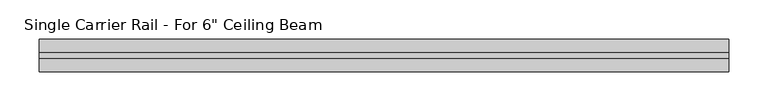
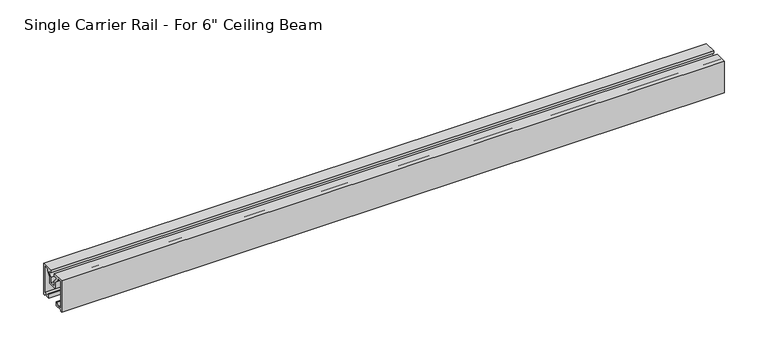
"""IFC4 building model written with IfcOpenShell, lengths in millimetres: proxy geometry."""

import ifcopenshell
import ifcopenshell.guid

model = None  # the IFC model being written
_history = None  # IfcOwnerHistory: only IFC2X3 demands one
_inside = {}  # id of a spatial element -> (the spatial element, [elements in it])
_under = {}  # id of a project, library or spatial element -> (it, [spatial elements below it])
_declared = {}  # id of a project -> (the project, [libraries it declares])
_typed = {}  # id of a type object -> (the type object, [elements of that type])
_made_of = {}  # id of a material, layer set ... -> (it, [elements and type objects made of it])


def new_model(schema):
    """Start an empty IFC model of exactly this schema.

    Asked for "IFC4X3", IfcOpenShell would pick the latest addendum, in which some entities
    have other attributes; the version numbers below select the first issue.
    IFC2X3 requires an IfcOwnerHistory on every rooted entity: one is made here for all.
    """
    global model, _history
    if schema == "IFC4X3":
        model = ifcopenshell.file(schema_version=(4, 3, 0, 0))
    else:
        model = ifcopenshell.file(schema=schema)
    _inside.clear()
    _under.clear()
    _declared.clear()
    _typed.clear()
    _made_of.clear()
    _history = None
    if model.schema == "IFC2X3":
        org = make("IfcOrganization", Name="unknown")
        user = make(
            "IfcPersonAndOrganization",
            ThePerson=make("IfcPerson", FamilyName="unknown"),
            TheOrganization=org,
        )
        app = make(
            "IfcApplication",
            ApplicationDeveloper=org,
            Version="unknown",
            ApplicationFullName="unknown",
            ApplicationIdentifier="unknown",
        )
        _history = make(
            "IfcOwnerHistory",
            OwningUser=user,
            OwningApplication=app,
            ChangeAction="ADDED",
            CreationDate=0,
        )
    return model


def make(cls, **values):
    """One entity of the class cls with the attributes given. An attribute that is None is left unset."""
    return model.create_entity(
        cls, **{name: value for name, value in values.items() if value is not None}
    )


def rooted(cls, **values):
    """An entity with a GlobalId (a new one), such as an element, a storey or a relation."""
    return make(cls, GlobalId=ifcopenshell.guid.new(), OwnerHistory=_history, **values)


def si_unit(unit_type, name, prefix=None):
    """IfcSIUnit, for example si_unit("LENGTHUNIT", "METRE", prefix="MILLI")."""
    return make("IfcSIUnit", UnitType=unit_type, Prefix=prefix, Name=name)


def assignment(units):
    """IfcUnitAssignment: the units of a project."""
    return None if units is None else make("IfcUnitAssignment", Units=units)


def point(xyz):
    """IfcCartesianPoint."""
    return None if xyz is None else make("IfcCartesianPoint", Coordinates=xyz)


def direction(xyz):
    """IfcDirection."""
    return None if xyz is None else make("IfcDirection", DirectionRatios=xyz)


def frame(location, z_axis=None, x_axis=None):
    """IfcAxis2Placement3D, a coordinate frame: its origin and axes. An axis left out is left unset."""
    return make(
        "IfcAxis2Placement3D",
        Location=point(location),
        Axis=direction(z_axis),
        RefDirection=direction(x_axis),
    )


def frame_2d(location, x_axis=None):
    """IfcAxis2Placement2D, a coordinate frame in the plane: its origin and x axis."""
    return make(
        "IfcAxis2Placement2D", Location=point(location), RefDirection=direction(x_axis)
    )


def origin():
    """The frame at (0, 0, 0) with its axes left unset."""
    return frame((0.0, 0.0, 0.0))


def place(relative_to, where):
    """IfcLocalPlacement: puts the frame where relative to a parent placement (None: the world)."""
    return make(
        "IfcLocalPlacement", PlacementRelTo=relative_to, RelativePlacement=where
    )


def context(
    kind, dimensions, precision=None, world=None, true_north=None, identifier=None
):
    """IfcGeometricRepresentationContext, for example the 3D "Model" context."""
    return make(
        "IfcGeometricRepresentationContext",
        ContextIdentifier=identifier,
        ContextType=kind,
        CoordinateSpaceDimension=dimensions,
        Precision=precision,
        WorldCoordinateSystem=world,
        TrueNorth=true_north,
    )


def project(units=None, contexts=None):
    """IfcProject with its units and contexts."""
    return rooted(
        "IfcProject",
        Name="project",
        RepresentationContexts=contexts,
        UnitsInContext=assignment(units),
    )


def spatial(cls, under=None, at=None, **own):
    """A site, building, storey or space (cls), placed at a placement, below another one or the project."""
    s = rooted(cls, ObjectPlacement=at, **own)
    if under is not None:
        _under.setdefault(under.id(), (under, []))[1].append(s)
    return s


def polyline(points):
    """IfcPolyline through the points."""
    return make("IfcPolyline", Points=[point(p) for p in points])


def circle_curve(where, radius):
    """IfcCircle in the frame where."""
    return make("IfcCircle", Position=where, Radius=radius)


def trimmed(basis, trim1, trim2, sense, master):
    """IfcTrimmedCurve: the piece of a basis curve between two trims."""
    return make(
        "IfcTrimmedCurve",
        BasisCurve=basis,
        Trim1=trim1,
        Trim2=trim2,
        SenseAgreement=sense,
        MasterRepresentation=master,
    )


def segment(curve, same_sense, transition):
    """IfcCompositeCurveSegment."""
    return make(
        "IfcCompositeCurveSegment",
        Transition=transition,
        SameSense=same_sense,
        ParentCurve=curve,
    )


def composite_curve(segments, self_intersect=None):
    """IfcCompositeCurve: segments joined end to end."""
    return make("IfcCompositeCurve", Segments=segments, SelfIntersect=self_intersect)


def outline(outer, holes=None, kind="AREA"):
    """IfcArbitraryClosedProfileDef: a profile drawn as a closed curve; with holes, ...WithVoids."""
    if holes is None:
        return make("IfcArbitraryClosedProfileDef", ProfileType=kind, OuterCurve=outer)
    return make(
        "IfcArbitraryProfileDefWithVoids",
        ProfileType=kind,
        OuterCurve=outer,
        InnerCurves=holes,
    )


def extrude(swept, where, along, depth):
    """IfcExtrudedAreaSolid: the profile swept, set in the frame where, extruded along a direction by depth."""
    return make(
        "IfcExtrudedAreaSolid",
        SweptArea=swept,
        Position=where,
        ExtrudedDirection=direction(along),
        Depth=depth,
    )


def shape(context_of_items, identifier, shape_type, items):
    """IfcShapeRepresentation: the items that make up one representation, for example the "Body"."""
    return make(
        "IfcShapeRepresentation",
        ContextOfItems=context_of_items,
        RepresentationIdentifier=identifier,
        RepresentationType=shape_type,
        Items=items,
    )


def source(mapping_origin, context_of_items, identifier, shape_type, items):
    """IfcRepresentationMap: a shape defined once, which mapped items show again and again."""
    return make(
        "IfcRepresentationMap",
        MappingOrigin=mapping_origin,
        MappedRepresentation=shape(context_of_items, identifier, shape_type, items),
    )


def transform(
    local_origin,
    x_axis=None,
    y_axis=None,
    z_axis=None,
    scale=None,
    scale2=None,
    scale3=None,
    uniform=True,
):
    """IfcCartesianTransformationOperator3D, or its non-uniform kind. x_axis, y_axis, z_axis: its Axis1, 2, 3."""
    if uniform:
        return make(
            "IfcCartesianTransformationOperator3D",
            Axis1=direction(x_axis),
            Axis2=direction(y_axis),
            LocalOrigin=point(local_origin),
            Scale=scale,
            Axis3=direction(z_axis),
        )
    return make(
        "IfcCartesianTransformationOperator3DnonUniform",
        Axis1=direction(x_axis),
        Axis2=direction(y_axis),
        LocalOrigin=point(local_origin),
        Scale=scale,
        Axis3=direction(z_axis),
        Scale2=scale2,
        Scale3=scale3,
    )


def mapped(mapping_source, mapping_target):
    """IfcMappedItem: shows the shape of a source again, moved by a transform."""
    return make(
        "IfcMappedItem", MappingSource=mapping_source, MappingTarget=mapping_target
    )


def made_of(thing, what):
    """Note that an element or type object is made of a material, layer set ...; save() writes the relation."""
    if what is not None:
        _made_of.setdefault(what.id(), (what, []))[1].append(thing)
    return thing


def element(
    cls,
    number,
    at=None,
    inside=None,
    cuts=None,
    type_object=None,
    material=None,
    context=None,
    identifier="Body",
    shape_type=None,
    held_by="IfcProductDefinitionShape",
    body=None,
    shapes=None,
    **own,
):
    """One element of the class cls, such as IfcWall. Its Tag is "e" and its number.

    at: its placement. inside: the storey or other place that contains it. cuts: it is an
    opening in that element (IfcRelVoidsElement). A single representation is given by context,
    identifier, shape_type and body (its items); several are given by shapes. held_by: the class
    of the entity that holds the representations. save() writes the other relations.
    """
    e = rooted(cls, Tag="e%d" % number, ObjectPlacement=at, **own)
    if body is not None:
        shapes = [shape(context, identifier, shape_type, body)]
    if shapes is not None:
        e.Representation = make(held_by, Representations=shapes)
    if inside is not None:
        _inside.setdefault(inside.id(), (inside, []))[1].append(e)
    if cuts is not None:
        rooted(
            "IfcRelVoidsElement", RelatingBuildingElement=cuts, RelatedOpeningElement=e
        )
    if type_object is not None:
        _typed.setdefault(type_object.id(), (type_object, []))[1].append(e)
    return made_of(e, material)


def aggregate(whole, parts):
    """IfcRelAggregates: a whole, such as a stair, and the parts it consists of."""
    return rooted("IfcRelAggregates", RelatingObject=whole, RelatedObjects=parts)


def save(model, path):
    """Write the relations noted so far, then the file.

    IfcRelAggregates (storeys below a building ...), IfcRelContainedInSpatialStructure (elements
    in a storey), IfcRelDefinesByType, IfcRelAssociatesMaterial and IfcRelDeclares: one each for
    every whole, place, type object, material and project.
    """
    for whole, parts in _under.values():
        aggregate(whole, parts)
    for where, things in _inside.values():
        rooted(
            "IfcRelContainedInSpatialStructure",
            RelatedElements=things,
            RelatingStructure=where,
        )
    for kind, things in _typed.values():
        rooted("IfcRelDefinesByType", RelatedObjects=things, RelatingType=kind)
    for what, things in _made_of.values():
        rooted("IfcRelAssociatesMaterial", RelatedObjects=things, RelatingMaterial=what)
    for by, libraries in _declared.values():
        rooted("IfcRelDeclares", RelatingContext=by, RelatedDefinitions=libraries)
    model.write(path)


def proxy_f6ab112d(model_context):
    return source(origin(), model_context, "Body", "SweptSolid", [
        extrude(outline(composite_curve([segment(polyline([(20.5, 268.45), (20.5, 224.9), (18.4999929, 224.9), (18.4999929, 226.6499993), (8.4999967, 226.6499993), (8.4999967, 232.2999971), (9.4999963, 232.2999971), (13.1499949, 228.6499986), (18.4999929, 228.6499986), (18.4999929, 266.45), (12.3357718, 266.45)]), True, "CONTINUOUS"), segment(trimmed(circle_curve(frame_2d((12.3357718, 265.45)), 1.0), [point((12.3357718, 266.45))], [point((11.3357718, 265.45))], True, "CARTESIAN"), True, "CONTINUOUS"), segment(polyline([(11.3357718, 265.45), (11.3357718, 263.2033452), (6.1999994, 258.0675709), (6.1999994, 248.920954), (-6.1999917, 248.920954), (-6.1999917, 258.0675632), (-11.3357718, 263.2033452), (-11.3357718, 265.45)]), True, "CONTINUOUS"), segment(trimmed(circle_curve(frame_2d((-12.3357718, 265.45)), 1.0), [point((-11.3357718, 265.45))], [point((-12.3357718, 266.45))], True, "CARTESIAN"), True, "CONTINUOUS"), segment(polyline([(-12.3357718, 266.45), (-18.4999929, 266.45), (-18.4999929, 228.6499986), (-13.1499949, 228.6499986), (-9.4999963, 232.2999971), (-8.4999967, 232.2999971), (-8.4999967, 226.6499993), (-18.4999929, 226.6499993), (-18.4999929, 224.9), (-20.4999921, 224.9), (-20.4999921, 268.45), (-4.1999993, 268.45), (-4.1999993, 264.946), (-7.8357787, 264.946)]), True, "CONTINUOUS"), segment(trimmed(circle_curve(frame_2d((-7.8357787, 263.946)), 1.0), [point((-7.8357787, 264.946))], [point((-8.5428855, 263.2388932))], True, "CARTESIAN"), True, "CONTINUOUS"), segment(polyline([(-8.5428855, 263.2388932), (-4.1999917, 258.8959994), (-4.1999917, 250.9209551), (4.1999994, 250.9209551), (4.1999994, 258.8959994), (8.5428932, 263.2388932)]), True, "CONTINUOUS"), segment(trimmed(circle_curve(frame_2d((7.8357864, 263.946)), 1.0), [point((8.5428932, 263.2388932))], [point((7.8357864, 264.946))], True, "CARTESIAN"), True, "CONTINUOUS"), segment(polyline([(7.8357864, 264.946), (4.1999993, 264.946), (4.1999993, 268.45), (20.5, 268.45)]), True, "CONTINUOUS")], self_intersect=False)), frame((0.0, 0.0, 0.0), z_axis=(1.0, 0.0, 0.0), x_axis=(0.0, 1.0, 0.0)), (0.0, 0.0, 1.0), 876.3),
    ])


if __name__ == "__main__":
    model = new_model("IFC4")
    model_context = context("Model", 3, world=origin())
    ifc_project = project(units=[si_unit("LENGTHUNIT", "METRE", prefix="MILLI")], contexts=[model_context])
    site = spatial("IfcSite", under=ifc_project)
    building = spatial("IfcBuilding", under=site)
    placement = place(None, origin())
    proxy_shape = proxy_f6ab112d(model_context)
    element("IfcBuildingElementProxy", 1, Name="Single Carrier Rail - For 6\" Ceiling Beam", ObjectType="Single Carrier Rail - For 6\" Ceiling Beam", at=placement, inside=building, context=model_context, shape_type="MappedRepresentation", body=[
        mapped(proxy_shape, transform((0.0, 0.0, 0.0), x_axis=(1.0, 0.0, 0.0), y_axis=(0.0, 1.0, 0.0), z_axis=(0.0, 0.0, 1.0))),
    ])
    save(model, "model.ifc")
